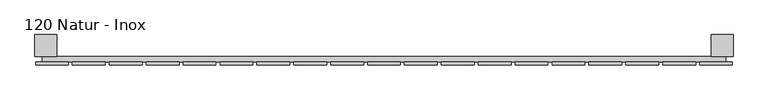
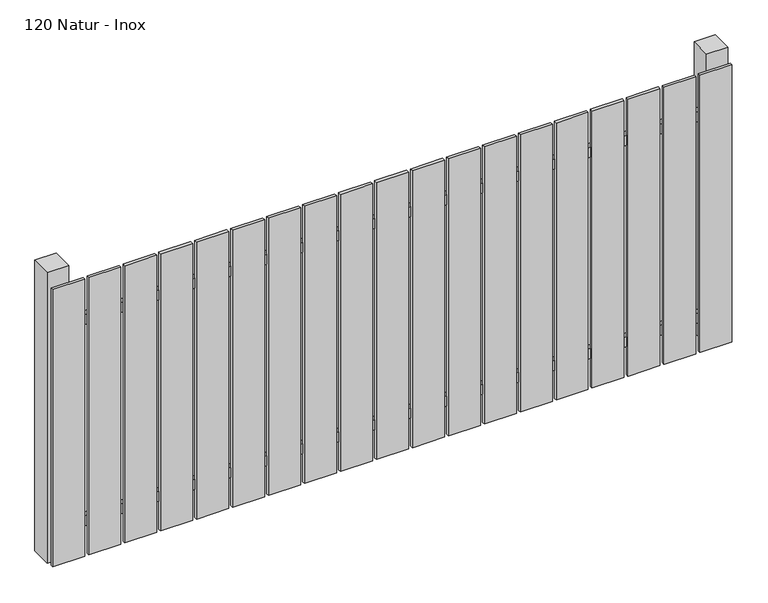
"""IFC4 building model written with IfcOpenShell, lengths in millimetres: railing geometry, 120 Natur - Inox."""

import ifcopenshell
import ifcopenshell.guid

model = None  # the IFC model being written
_history = None  # IfcOwnerHistory: only IFC2X3 demands one
_inside = {}  # id of a spatial element -> (the spatial element, [elements in it])
_under = {}  # id of a project, library or spatial element -> (it, [spatial elements below it])
_declared = {}  # id of a project -> (the project, [libraries it declares])
_typed = {}  # id of a type object -> (the type object, [elements of that type])
_made_of = {}  # id of a material, layer set ... -> (it, [elements and type objects made of it])


def new_model(schema):
    """Start an empty IFC model of exactly this schema.

    Asked for "IFC4X3", IfcOpenShell would pick the latest addendum, in which some entities
    have other attributes; the version numbers below select the first issue.
    IFC2X3 requires an IfcOwnerHistory on every rooted entity: one is made here for all.
    """
    global model, _history
    if schema == "IFC4X3":
        model = ifcopenshell.file(schema_version=(4, 3, 0, 0))
    else:
        model = ifcopenshell.file(schema=schema)
    _inside.clear()
    _under.clear()
    _declared.clear()
    _typed.clear()
    _made_of.clear()
    _history = None
    if model.schema == "IFC2X3":
        org = make("IfcOrganization", Name="unknown")
        user = make(
            "IfcPersonAndOrganization",
            ThePerson=make("IfcPerson", FamilyName="unknown"),
            TheOrganization=org,
        )
        app = make(
            "IfcApplication",
            ApplicationDeveloper=org,
            Version="unknown",
            ApplicationFullName="unknown",
            ApplicationIdentifier="unknown",
        )
        _history = make(
            "IfcOwnerHistory",
            OwningUser=user,
            OwningApplication=app,
            ChangeAction="ADDED",
            CreationDate=0,
        )
    return model


def make(cls, **values):
    """One entity of the class cls with the attributes given. An attribute that is None is left unset."""
    return model.create_entity(
        cls, **{name: value for name, value in values.items() if value is not None}
    )


def rooted(cls, **values):
    """An entity with a GlobalId (a new one), such as an element, a storey or a relation."""
    return make(cls, GlobalId=ifcopenshell.guid.new(), OwnerHistory=_history, **values)


def si_unit(unit_type, name, prefix=None):
    """IfcSIUnit, for example si_unit("LENGTHUNIT", "METRE", prefix="MILLI")."""
    return make("IfcSIUnit", UnitType=unit_type, Prefix=prefix, Name=name)


def assignment(units):
    """IfcUnitAssignment: the units of a project."""
    return None if units is None else make("IfcUnitAssignment", Units=units)


def point(xyz):
    """IfcCartesianPoint."""
    return None if xyz is None else make("IfcCartesianPoint", Coordinates=xyz)


def direction(xyz):
    """IfcDirection."""
    return None if xyz is None else make("IfcDirection", DirectionRatios=xyz)


def frame(location, z_axis=None, x_axis=None):
    """IfcAxis2Placement3D, a coordinate frame: its origin and axes. An axis left out is left unset."""
    return make(
        "IfcAxis2Placement3D",
        Location=point(location),
        Axis=direction(z_axis),
        RefDirection=direction(x_axis),
    )


def origin():
    """The frame at (0, 0, 0) with its axes left unset."""
    return frame((0.0, 0.0, 0.0))


def origin_with_axes():
    """The frame at (0, 0, 0) with the z axis (0, 0, 1) and the x axis (1, 0, 0) written out."""
    return frame((0.0, 0.0, 0.0), z_axis=(0.0, 0.0, 1.0), x_axis=(1.0, 0.0, 0.0))


def place(relative_to, where):
    """IfcLocalPlacement: puts the frame where relative to a parent placement (None: the world)."""
    return make(
        "IfcLocalPlacement", PlacementRelTo=relative_to, RelativePlacement=where
    )


def context(
    kind, dimensions, precision=None, world=None, true_north=None, identifier=None
):
    """IfcGeometricRepresentationContext, for example the 3D "Model" context."""
    return make(
        "IfcGeometricRepresentationContext",
        ContextIdentifier=identifier,
        ContextType=kind,
        CoordinateSpaceDimension=dimensions,
        Precision=precision,
        WorldCoordinateSystem=world,
        TrueNorth=true_north,
    )


def project(units=None, contexts=None):
    """IfcProject with its units and contexts."""
    return rooted(
        "IfcProject",
        Name="project",
        RepresentationContexts=contexts,
        UnitsInContext=assignment(units),
    )


def spatial(cls, under=None, at=None, **own):
    """A site, building, storey or space (cls), placed at a placement, below another one or the project."""
    s = rooted(cls, ObjectPlacement=at, **own)
    if under is not None:
        _under.setdefault(under.id(), (under, []))[1].append(s)
    return s


def polyline(points):
    """IfcPolyline through the points."""
    return make("IfcPolyline", Points=[point(p) for p in points])


def outline(outer, holes=None, kind="AREA"):
    """IfcArbitraryClosedProfileDef: a profile drawn as a closed curve; with holes, ...WithVoids."""
    if holes is None:
        return make("IfcArbitraryClosedProfileDef", ProfileType=kind, OuterCurve=outer)
    return make(
        "IfcArbitraryProfileDefWithVoids",
        ProfileType=kind,
        OuterCurve=outer,
        InnerCurves=holes,
    )


def extrude(swept, where, along, depth):
    """IfcExtrudedAreaSolid: the profile swept, set in the frame where, extruded along a direction by depth."""
    return make(
        "IfcExtrudedAreaSolid",
        SweptArea=swept,
        Position=where,
        ExtrudedDirection=direction(along),
        Depth=depth,
    )


def shape(context_of_items, identifier, shape_type, items):
    """IfcShapeRepresentation: the items that make up one representation, for example the "Body"."""
    return make(
        "IfcShapeRepresentation",
        ContextOfItems=context_of_items,
        RepresentationIdentifier=identifier,
        RepresentationType=shape_type,
        Items=items,
    )


def source(mapping_origin, context_of_items, identifier, shape_type, items):
    """IfcRepresentationMap: a shape defined once, which mapped items show again and again."""
    return make(
        "IfcRepresentationMap",
        MappingOrigin=mapping_origin,
        MappedRepresentation=shape(context_of_items, identifier, shape_type, items),
    )


def transform(
    local_origin,
    x_axis=None,
    y_axis=None,
    z_axis=None,
    scale=None,
    scale2=None,
    scale3=None,
    uniform=True,
):
    """IfcCartesianTransformationOperator3D, or its non-uniform kind. x_axis, y_axis, z_axis: its Axis1, 2, 3."""
    if uniform:
        return make(
            "IfcCartesianTransformationOperator3D",
            Axis1=direction(x_axis),
            Axis2=direction(y_axis),
            LocalOrigin=point(local_origin),
            Scale=scale,
            Axis3=direction(z_axis),
        )
    return make(
        "IfcCartesianTransformationOperator3DnonUniform",
        Axis1=direction(x_axis),
        Axis2=direction(y_axis),
        LocalOrigin=point(local_origin),
        Scale=scale,
        Axis3=direction(z_axis),
        Scale2=scale2,
        Scale3=scale3,
    )


def mapped(mapping_source, mapping_target):
    """IfcMappedItem: shows the shape of a source again, moved by a transform."""
    return make(
        "IfcMappedItem", MappingSource=mapping_source, MappingTarget=mapping_target
    )


def made_of(thing, what):
    """Note that an element or type object is made of a material, layer set ...; save() writes the relation."""
    if what is not None:
        _made_of.setdefault(what.id(), (what, []))[1].append(thing)
    return thing


def element(
    cls,
    number,
    at=None,
    inside=None,
    cuts=None,
    type_object=None,
    material=None,
    context=None,
    identifier="Body",
    shape_type=None,
    held_by="IfcProductDefinitionShape",
    body=None,
    shapes=None,
    **own,
):
    """One element of the class cls, such as IfcWall. Its Tag is "e" and its number.

    at: its placement. inside: the storey or other place that contains it. cuts: it is an
    opening in that element (IfcRelVoidsElement). A single representation is given by context,
    identifier, shape_type and body (its items); several are given by shapes. held_by: the class
    of the entity that holds the representations. save() writes the other relations.
    """
    e = rooted(cls, Tag="e%d" % number, ObjectPlacement=at, **own)
    if body is not None:
        shapes = [shape(context, identifier, shape_type, body)]
    if shapes is not None:
        e.Representation = make(held_by, Representations=shapes)
    if inside is not None:
        _inside.setdefault(inside.id(), (inside, []))[1].append(e)
    if cuts is not None:
        rooted(
            "IfcRelVoidsElement", RelatingBuildingElement=cuts, RelatedOpeningElement=e
        )
    if type_object is not None:
        _typed.setdefault(type_object.id(), (type_object, []))[1].append(e)
    return made_of(e, material)


def aggregate(whole, parts):
    """IfcRelAggregates: a whole, such as a stair, and the parts it consists of."""
    return rooted("IfcRelAggregates", RelatingObject=whole, RelatedObjects=parts)


def save(model, path):
    """Write the relations noted so far, then the file.

    IfcRelAggregates (storeys below a building ...), IfcRelContainedInSpatialStructure (elements
    in a storey), IfcRelDefinesByType, IfcRelAssociatesMaterial and IfcRelDeclares: one each for
    every whole, place, type object, material and project.
    """
    for whole, parts in _under.values():
        aggregate(whole, parts)
    for where, things in _inside.values():
        rooted(
            "IfcRelContainedInSpatialStructure",
            RelatedElements=things,
            RelatingStructure=where,
        )
    for kind, things in _typed.values():
        rooted("IfcRelDefinesByType", RelatedObjects=things, RelatingType=kind)
    for what, things in _made_of.values():
        rooted("IfcRelAssociatesMaterial", RelatedObjects=things, RelatingMaterial=what)
    for by, libraries in _declared.values():
        rooted("IfcRelDeclares", RelatingContext=by, RelatedDefinitions=libraries)
    model.write(path)


def railing_120_natur_inox_7844d769(model_context):
    return source(origin(), model_context, "Body", "SweptSolid", [
        extrude(outline(polyline([(11087.4299228, -109939.0267127), (11087.4299228, -109919.0267127), (13587.4299228, -109919.0267127), (13587.4299228, -109939.0267127), (11087.4299228, -109939.0267127)])), frame((0.0, 0.0, 110.0), z_axis=(0.0, 0.0, 1.0), x_axis=(1.0, 0.0, 0.0)), (0.0, 0.0, 1.0), 40.0),
        extrude(outline(polyline([(11087.4299228, -109939.0267127), (11087.4299228, -109919.0267127), (13587.4299228, -109919.0267127), (13587.4299228, -109939.0267127), (11087.4299228, -109939.0267127)])), frame((0.0, 0.0, 910.0), z_axis=(0.0, 0.0, 1.0), x_axis=(1.0, 0.0, 0.0)), (0.0, 0.0, 1.0), 40.0),
        extrude(outline(polyline([(13492.4299228, -109950.5267127), (13492.4299228, -109939.5267127), (13612.4299228, -109939.5267127), (13612.4299228, -109950.5267127), (13492.4299228, -109950.5267127)])), origin_with_axes(), (0.0, 0.0, 1.0), 1100.0),
        extrude(outline(polyline([(13357.4299228, -109950.5267127), (13357.4299228, -109939.5267127), (13477.4299228, -109939.5267127), (13477.4299228, -109950.5267127), (13357.4299228, -109950.5267127)])), origin_with_axes(), (0.0, 0.0, 1.0), 1100.0),
        extrude(outline(polyline([(13222.4299228, -109950.5267127), (13222.4299228, -109939.5267127), (13342.4299228, -109939.5267127), (13342.4299228, -109950.5267127), (13222.4299228, -109950.5267127)])), origin_with_axes(), (0.0, 0.0, 1.0), 1100.0),
        extrude(outline(polyline([(13087.4299228, -109950.5267127), (13087.4299228, -109939.5267127), (13207.4299228, -109939.5267127), (13207.4299228, -109950.5267127), (13087.4299228, -109950.5267127)])), origin_with_axes(), (0.0, 0.0, 1.0), 1100.0),
        extrude(outline(polyline([(12952.4299228, -109950.5267127), (12952.4299228, -109939.5267127), (13072.4299228, -109939.5267127), (13072.4299228, -109950.5267127), (12952.4299228, -109950.5267127)])), origin_with_axes(), (0.0, 0.0, 1.0), 1100.0),
        extrude(outline(polyline([(12817.4299228, -109950.5267127), (12817.4299228, -109939.5267127), (12937.4299228, -109939.5267127), (12937.4299228, -109950.5267127), (12817.4299228, -109950.5267127)])), origin_with_axes(), (0.0, 0.0, 1.0), 1100.0),
        extrude(outline(polyline([(12682.4299228, -109950.5267127), (12682.4299228, -109939.5267127), (12802.4299228, -109939.5267127), (12802.4299228, -109950.5267127), (12682.4299228, -109950.5267127)])), origin_with_axes(), (0.0, 0.0, 1.0), 1100.0),
        extrude(outline(polyline([(12547.4299228, -109950.5267127), (12547.4299228, -109939.5267127), (12667.4299228, -109939.5267127), (12667.4299228, -109950.5267127), (12547.4299228, -109950.5267127)])), origin_with_axes(), (0.0, 0.0, 1.0), 1100.0),
        extrude(outline(polyline([(12412.4299228, -109950.5267127), (12412.4299228, -109939.5267127), (12532.4299228, -109939.5267127), (12532.4299228, -109950.5267127), (12412.4299228, -109950.5267127)])), origin_with_axes(), (0.0, 0.0, 1.0), 1100.0),
        extrude(outline(polyline([(12277.4299228, -109950.5267127), (12277.4299228, -109939.5267127), (12397.4299228, -109939.5267127), (12397.4299228, -109950.5267127), (12277.4299228, -109950.5267127)])), origin_with_axes(), (0.0, 0.0, 1.0), 1100.0),
        extrude(outline(polyline([(12142.4299228, -109950.5267127), (12142.4299228, -109939.5267127), (12262.4299228, -109939.5267127), (12262.4299228, -109950.5267127), (12142.4299228, -109950.5267127)])), origin_with_axes(), (0.0, 0.0, 1.0), 1100.0),
        extrude(outline(polyline([(12007.4299228, -109950.5267127), (12007.4299228, -109939.5267127), (12127.4299228, -109939.5267127), (12127.4299228, -109950.5267127), (12007.4299228, -109950.5267127)])), origin_with_axes(), (0.0, 0.0, 1.0), 1100.0),
        extrude(outline(polyline([(11872.4299228, -109950.5267127), (11872.4299228, -109939.5267127), (11992.4299228, -109939.5267127), (11992.4299228, -109950.5267127), (11872.4299228, -109950.5267127)])), origin_with_axes(), (0.0, 0.0, 1.0), 1100.0),
        extrude(outline(polyline([(11737.4299228, -109950.5267127), (11737.4299228, -109939.5267127), (11857.4299228, -109939.5267127), (11857.4299228, -109950.5267127), (11737.4299228, -109950.5267127)])), origin_with_axes(), (0.0, 0.0, 1.0), 1100.0),
        extrude(outline(polyline([(11602.4299228, -109950.5267127), (11602.4299228, -109939.5267127), (11722.4299228, -109939.5267127), (11722.4299228, -109950.5267127), (11602.4299228, -109950.5267127)])), origin_with_axes(), (0.0, 0.0, 1.0), 1100.0),
        extrude(outline(polyline([(11467.4299228, -109950.5267127), (11467.4299228, -109939.5267127), (11587.4299228, -109939.5267127), (11587.4299228, -109950.5267127), (11467.4299228, -109950.5267127)])), origin_with_axes(), (0.0, 0.0, 1.0), 1100.0),
        extrude(outline(polyline([(11332.4299228, -109950.5267127), (11332.4299228, -109939.5267127), (11452.4299228, -109939.5267127), (11452.4299228, -109950.5267127), (11332.4299228, -109950.5267127)])), origin_with_axes(), (0.0, 0.0, 1.0), 1100.0),
        extrude(outline(polyline([(11197.4299228, -109950.5267127), (11197.4299228, -109939.5267127), (11317.4299228, -109939.5267127), (11317.4299228, -109950.5267127), (11197.4299228, -109950.5267127)])), origin_with_axes(), (0.0, 0.0, 1.0), 1100.0),
        extrude(outline(polyline([(11062.4299228, -109950.5267127), (11062.4299228, -109939.5267127), (11182.4299228, -109939.5267127), (11182.4299228, -109950.5267127), (11062.4299228, -109950.5267127)])), origin_with_axes(), (0.0, 0.0, 1.0), 1100.0),
        extrude(outline(polyline([(13534.9299228, -109839.0267127), (13614.9299228, -109839.0267127), (13614.9299228, -109919.0267127), (13534.9299228, -109919.0267127), (13534.9299228, -109839.0267127)])), frame((0.0, 0.0, -4.0), z_axis=(0.0, 0.0, 1.0), x_axis=(1.0, 0.0, 0.0)), (0.0, 0.0, 1.0), 1154.0),
        extrude(outline(polyline([(11059.9299228, -109839.0267127), (11139.9299228, -109839.0267127), (11139.9299228, -109919.0267127), (11059.9299228, -109919.0267127), (11059.9299228, -109839.0267127)])), frame((0.0, 0.0, -4.0), z_axis=(0.0, 0.0, 1.0), x_axis=(1.0, 0.0, 0.0)), (0.0, 0.0, 1.0), 1154.0),
    ])


if __name__ == "__main__":
    model = new_model("IFC4")
    model_context = context("Model", 3, world=origin())
    ifc_project = project(units=[si_unit("LENGTHUNIT", "METRE", prefix="MILLI")], contexts=[model_context])
    site = spatial("IfcSite", under=ifc_project)
    building = spatial("IfcBuilding", under=site)
    placement = place(None, origin())
    railing_120_natur_inox_shape = railing_120_natur_inox_7844d769(model_context)
    element("IfcRailing", 1, ObjectType="120 Natur - Inox", at=placement, inside=building, context=model_context, shape_type="MappedRepresentation", body=[
        mapped(railing_120_natur_inox_shape, transform((0.0, 0.0, 0.0), x_axis=(1.0, 0.0, 0.0), y_axis=(0.0, 1.0, 0.0), z_axis=(0.0, 0.0, 1.0))),
    ])
    save(model, "model.ifc")
